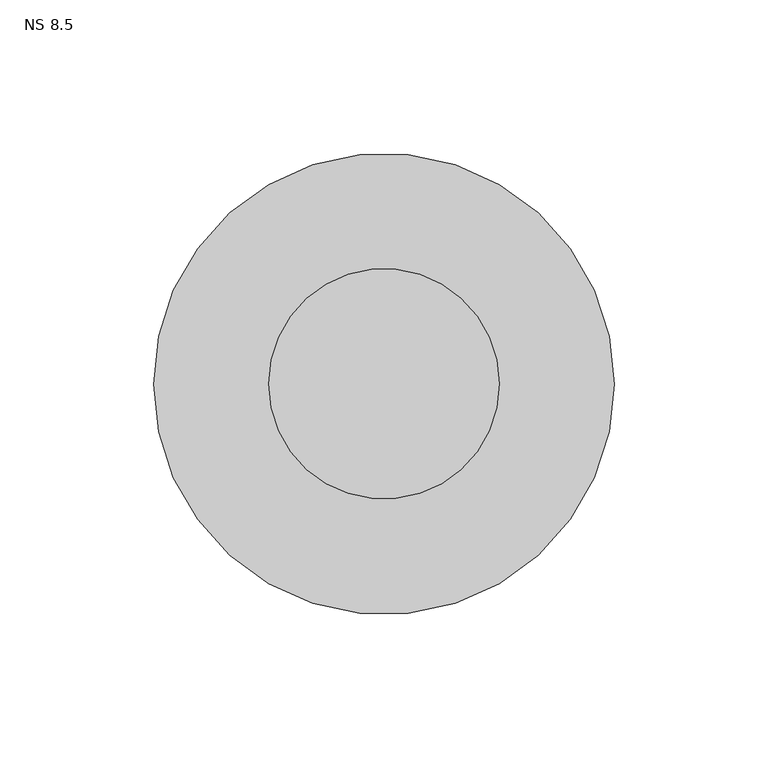
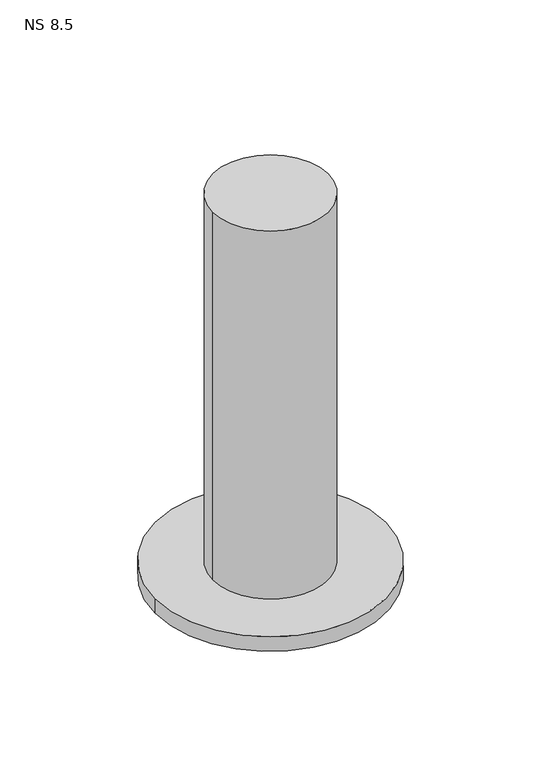
"""IFC4 building model written with IfcOpenShell, lengths in millimetres: unitary equipment geometry, NS 8.5."""

from ifc_helpers import new_model, si_unit, point, frame, frame_2d, origin, place, context, project, spatial, circle_curve, trimmed, segment, composite_curve, outline, extrude, source, transform, mapped, element, save


def ns_8_5_f155c216(model_context):
    return source(origin(), model_context, "Body", "SweptSolid", [
        extrude(outline(composite_curve([segment(trimmed(circle_curve(frame_2d((-470.0, 0.0)), 37.5), [point((-507.5, 0.0))], [point((-432.5, 0.0))], False, "CARTESIAN"), True, "CONTINUOUS"), segment(trimmed(circle_curve(frame_2d((-470.0, 0.0)), 37.5), [point((-432.5, 0.0))], [point((-507.5, 0.0))], False, "CARTESIAN"), True, "CONTINUOUS")], self_intersect=False)), frame((0.0, 0.0, 1463.0), z_axis=(0.0, 0.0, 1.0), x_axis=(1.0, 0.0, 0.0)), (0.0, 0.0, 1.0), 263.0),
        extrude(outline(composite_curve([segment(trimmed(circle_curve(frame_2d((-470.0, 0.0)), 75.0), [point((-545.0, 0.0))], [point((-395.0, 0.0))], False, "CARTESIAN"), True, "CONTINUOUS"), segment(trimmed(circle_curve(frame_2d((-470.0, 0.0)), 75.0), [point((-395.0, 0.0))], [point((-545.0, 0.0))], False, "CARTESIAN"), True, "CONTINUOUS")], self_intersect=False)), frame((0.0, 0.0, 1463.0), z_axis=(0.0, 0.0, 1.0), x_axis=(1.0, 0.0, 0.0)), (0.0, 0.0, 1.0), 10.0),
    ])


if __name__ == "__main__":
    model = new_model("IFC4")
    model_context = context("Model", 3, world=origin())
    ifc_project = project(units=[si_unit("LENGTHUNIT", "METRE", prefix="MILLI")], contexts=[model_context])
    site = spatial("IfcSite", under=ifc_project)
    building = spatial("IfcBuilding", under=site)
    placement = place(None, origin())
    ns_8_5_shape = ns_8_5_f155c216(model_context)
    element("IfcUnitaryEquipment", 1, ObjectType="NS 8.5", at=placement, inside=building, context=model_context, shape_type="MappedRepresentation", body=[
        mapped(ns_8_5_shape, transform((0.0, 0.0, 0.0), x_axis=(1.0, 0.0, 0.0), y_axis=(0.0, 1.0, 0.0), z_axis=(0.0, 0.0, 1.0))),
    ])
    save(model, "model.ifc")
